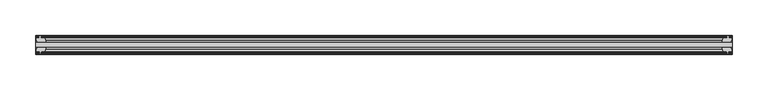
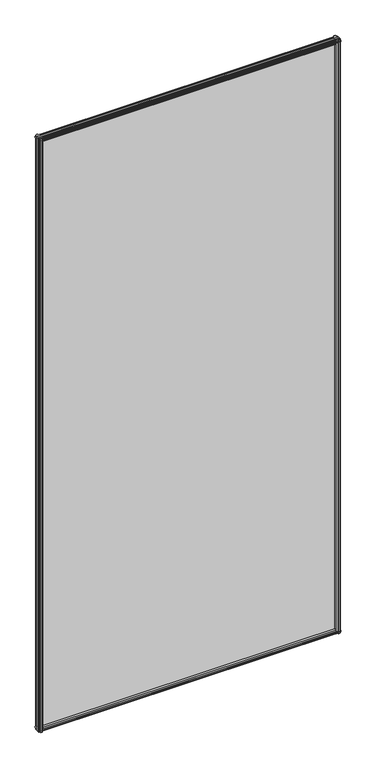
"""IFC4 building model written with IfcOpenShell, lengths in millimetres: plate geometry."""

from ifc_helpers import new_model, si_unit, frame, origin, place, context, project, spatial, polyline, outline, extrude, source, transform, mapped, element, save


def plate_9e6392b5(model_context):
    return source(origin(), model_context, "Body", "SweptSolid", [
        extrude(outline(polyline([(-485.7436469, -19.5460937), (485.7436469, -19.5460937), (485.7436469, -25.8960937), (-485.7436469, -25.8960937), (-485.7436469, -19.5460937)])), frame((0.0, 0.0, -12.7), z_axis=(0.0, 0.0, 1.0), x_axis=(1.0, 0.0, 0.0)), (0.0, 0.0, 1.0), 2019.3),
        extrude(outline(polyline([(482.7689506, -25.8960937), (484.9816469, -29.2996938), (484.9816469, -32.2460938), (480.5366469, -32.2460938), (480.1556469, -34.6262907), (481.5711759, -34.1663575), (481.5711759, -34.9675717), (479.3936469, -35.6750938), (477.2161178, -34.9675717), (477.2161178, -34.1663575), (478.6316469, -34.6262907), (478.2506469, -32.2460938), (473.0436469, -32.2460938), (470.9383698, -25.8960937), (482.7689506, -25.8960937)])), frame((0.0, 0.0, -12.7), z_axis=(0.0, 0.0, 1.0), x_axis=(1.0, 0.0, 0.0)), (0.0, 0.0, 1.0), 2019.3),
        extrude(outline(polyline([(477.7368178, -10.4746158), (479.9143469, -9.7670938), (482.0918759, -10.4746158), (482.0918759, -11.27583), (480.6763469, -10.8158968), (481.0573469, -13.1960938), (485.5023469, -13.1960938), (485.5023469, -16.1424938), (483.2896506, -19.5460937), (471.4590698, -19.5460937), (473.5643469, -13.1960938), (478.7713469, -13.1960938), (479.1523469, -10.8158968), (477.7368178, -11.27583), (477.7368178, -10.4746158)])), frame((0.0, 0.0, -12.7), z_axis=(0.0, 0.0, 1.0), x_axis=(1.0, 0.0, 0.0)), (0.0, 0.0, 1.0), 2019.3),
        extrude(outline(polyline([(-470.9383698, -25.8960937), (-473.0436469, -32.2460937), (-478.2506469, -32.2460937), (-478.6316469, -34.6262907), (-477.2161178, -34.1663575), (-477.2161178, -34.9675717), (-479.3936469, -35.6750937), (-481.5711759, -34.9675717), (-481.5711759, -34.1663575), (-480.1556469, -34.6262907), (-480.5366469, -32.2460937), (-484.9816469, -32.2460937), (-484.9816469, -29.2996937), (-482.7689506, -25.8960937), (-470.9383698, -25.8960937)])), frame((0.0, 0.0, -12.7), z_axis=(0.0, 0.0, 1.0), x_axis=(1.0, 0.0, 0.0)), (0.0, 0.0, 1.0), 2019.3),
        extrude(outline(polyline([(-480.6763469, -10.8158968), (-482.0918759, -11.27583), (-482.0918759, -10.4746158), (-479.9143469, -9.7670937), (-477.7368178, -10.4746158), (-477.7368178, -11.27583), (-479.1523469, -10.8158968), (-478.7713469, -13.1960937), (-473.5643469, -13.1960937), (-471.4590698, -19.5460937), (-483.2896506, -19.5460937), (-485.5023469, -16.1424937), (-485.5023469, -13.1960937), (-481.0573469, -13.1960937), (-480.6763469, -10.8158968)])), frame((0.0, 0.0, -12.7), z_axis=(0.0, 0.0, 1.0), x_axis=(1.0, 0.0, 0.0)), (0.0, 0.0, 1.0), 2019.3),
        extrude(outline(polyline([(-13.1960937, 2006.3587), (-13.1960937, 2001.9137), (-10.8158968, 2001.5327), (-11.27583, 2002.9482291), (-10.4746158, 2002.9482291), (-9.7670937, 2000.7707), (-10.4746158, 1998.5931709), (-11.27583, 1998.5931709), (-10.8158968, 2000.0087), (-13.1960937, 1999.6277), (-13.1960937, 1994.4207), (-19.5460937, 1992.3154229), (-19.5460937, 2004.1460038), (-16.1424937, 2006.3587), (-13.1960937, 2006.3587)])), frame((-485.7436469, 0.0, 0.0), z_axis=(1.0, 0.0, 0.0), x_axis=(0.0, 1.0, 0.0)), (0.0, 0.0, 1.0), 971.4872937),
        extrude(outline(polyline([(-29.2996937, 2005.838), (-25.8960937, 2003.6253038), (-25.8960937, 1991.7947229), (-32.2460937, 1993.9), (-32.2460937, 1999.107), (-34.6262907, 1999.488), (-34.1663575, 1998.072471), (-34.9675717, 1998.072471), (-35.6750937, 2000.25), (-34.9675717, 2002.4275291), (-34.1663575, 2002.4275291), (-34.6262907, 2001.012), (-32.2460937, 2001.393), (-32.2460937, 2005.838), (-29.2996937, 2005.838)])), frame((-485.7436469, 0.0, 0.0), z_axis=(1.0, 0.0, 0.0), x_axis=(0.0, 1.0, 0.0)), (0.0, 0.0, 1.0), 971.4872937),
        extrude(outline(polyline([(-25.8960937, 2.1052771), (-25.8960937, -9.7253038), (-29.2996937, -11.938), (-32.2460937, -11.938), (-32.2460937, -7.493), (-34.6262907, -7.112), (-34.1663575, -8.5275291), (-34.9675717, -8.5275291), (-35.6750937, -6.35), (-34.9675717, -4.1724709), (-34.1663575, -4.1724709), (-34.6262907, -5.588), (-32.2460937, -5.207), (-32.2460937, 0.0), (-25.8960937, 2.1052771)])), frame((-485.7436469, 0.0, 0.0), z_axis=(1.0, 0.0, 0.0), x_axis=(0.0, 1.0, 0.0)), (0.0, 0.0, 1.0), 971.4872937),
        extrude(outline(polyline([(-19.5460937, 1.5845771), (-13.1960937, -0.5207), (-13.1960937, -5.7277), (-10.8158968, -6.1087), (-11.27583, -4.6931709), (-10.4746158, -4.6931709), (-9.7670937, -6.8707), (-10.4746158, -9.048229), (-11.27583, -9.048229), (-10.8158968, -7.6327), (-13.1960937, -8.0137), (-13.1960937, -12.4587), (-16.1424937, -12.4587), (-19.5460937, -10.2460038), (-19.5460937, 1.5845771)])), frame((-485.7436469, 0.0, 0.0), z_axis=(1.0, 0.0, 0.0), x_axis=(0.0, 1.0, 0.0)), (0.0, 0.0, 1.0), 971.4872937),
    ])


if __name__ == "__main__":
    model = new_model("IFC4")
    model_context = context("Model", 3, world=origin())
    ifc_project = project(units=[si_unit("LENGTHUNIT", "METRE", prefix="MILLI")], contexts=[model_context])
    site = spatial("IfcSite", under=ifc_project)
    building = spatial("IfcBuilding", under=site)
    placement = place(None, origin())
    plate_shape = plate_9e6392b5(model_context)
    element("IfcPlate", 1, at=placement, inside=building, context=model_context, shape_type="MappedRepresentation", body=[
        mapped(plate_shape, transform((0.0, 0.0, 0.0), x_axis=(1.0, 0.0, 0.0), y_axis=(0.0, 1.0, 0.0), z_axis=(0.0, 0.0, 1.0))),
    ])
    save(model, "model.ifc")
